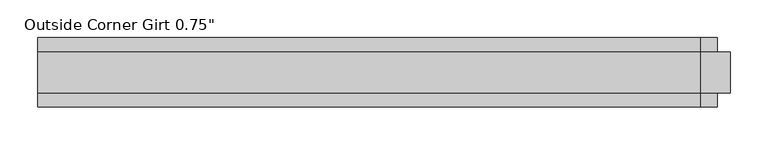
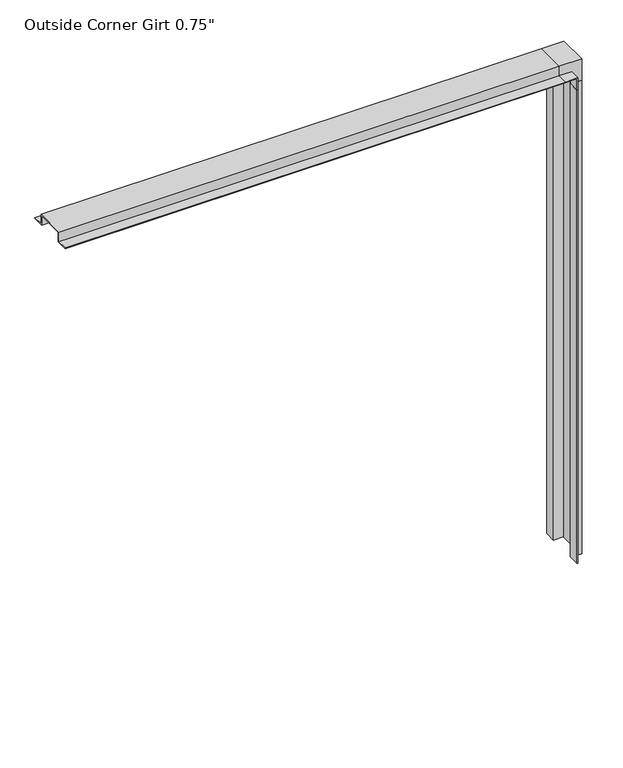
"""IFC4 building model written with IfcOpenShell, lengths in millimetres: proxy geometry."""

from ifc_helpers import new_model, si_unit, frame, origin, place, context, project, spatial, polyline, outline, extrude, faceted_brep, source, transform, mapped, element, save


def proxy_1c010547(model_context):
    return source(origin(), model_context, "Body", "SolidModel", [
        extrude(outline(polyline([(171.45, 46.0559645), (173.0633, 46.0559645), (173.0633, 27.0129), (190.5254, 27.0129), (190.5254, -27.0129), (173.0633, -27.0129), (173.0633, -46.0559645), (171.45, -46.0559645), (171.45, -25.4), (188.9125, -25.4), (188.9125, 25.4), (171.45, 25.4), (171.45, 46.0559645)])), frame((0.0, 0.0, -725.4875), z_axis=(0.0, 0.0, 1.0), x_axis=(1.0, 0.0, 0.0)), (0.0, 0.0, 1.0), 876.3),
        extrude(outline(polyline([(46.0559645, 171.45), (25.4, 171.45), (25.4, 188.9125), (-25.4, 188.9125), (-25.4, 171.45), (-46.0559645, 171.45), (-46.0559645, 173.0633), (-27.0129, 173.0633), (-27.0129, 190.5254), (27.0129, 190.5254), (27.0129, 173.0633), (46.0559645, 173.0633), (46.0559645, 171.45)])), frame((-725.4875, 0.0, 0.0), z_axis=(1.0, 0.0, 0.0), x_axis=(0.0, 1.0, 0.0)), (0.0, 0.0, 1.0), 876.3),
        extrude(outline(polyline([(173.0633, 150.8125), (171.45, 150.8125), (171.45, 171.45), (150.8125, 171.45), (150.8125, 173.0633), (173.0633, 173.0633), (173.0633, 150.8125)])), frame((0.0, -46.0559645, 0.0), z_axis=(0.0, 1.0, 0.0), x_axis=(0.0, 0.0, 1.0)), (0.0, 0.0, 1.0), 19.0430645),
        faceted_brep([(150.8125, 25.4, 171.45), (150.8125, 25.4, 188.9125), (150.8125, -25.4, 188.9125), (150.8125, -25.4, 171.45), (150.8125, -27.0129, 171.45), (150.8125, -27.0129, 190.5254), (150.8125, 27.0129, 190.5254), (150.8125, 27.0129, 173.0633), (150.8125, 46.0559645, 173.0633), (150.8125, 46.0559645, 171.45), (171.45, 46.0559645, 171.45), (171.45, 25.4, 171.45), (173.0633, 46.0559645, 173.0633), (173.0633, 46.0559645, 150.8125), (171.45, 46.0559645, 150.8125), (173.0633, 27.0129, 173.0633), (190.5254, 27.0129, 190.5254), (190.5254, 27.0129, 150.8125), (173.0633, 27.0129, 150.8125), (190.5254, -27.0129, 190.5254), (171.45, -27.0129, 171.45), (171.45, -27.0129, 150.8125), (190.5254, -27.0129, 150.8125), (171.45, -25.4, 171.45), (188.9125, -25.4, 188.9125), (188.9125, -25.4, 150.8125), (171.45, -25.4, 150.8125), (188.9125, 25.4, 188.9125), (171.45, 25.4, 150.8125), (188.9125, 25.4, 150.8125)], [[[0, 1, 2, 3, 4, 5, 6, 7, 8, 9]], [[0, 9, 10, 11]], [[9, 8, 12, 13, 14, 10]], [[8, 7, 15, 12]], [[7, 6, 16, 17, 18, 15]], [[6, 5, 19, 16]], [[5, 4, 20, 21, 22, 19]], [[4, 3, 23, 20]], [[3, 2, 24, 25, 26, 23]], [[2, 1, 27, 24]], [[1, 0, 11, 28, 29, 27]], [[28, 14, 13, 18, 17, 22, 21, 26, 25, 29]], [[11, 10, 14, 28]], [[12, 15, 18, 13]], [[16, 19, 22, 17]], [[20, 23, 26, 21]], [[24, 27, 29, 25]]]),
    ])


if __name__ == "__main__":
    model = new_model("IFC4")
    model_context = context("Model", 3, world=origin())
    ifc_project = project(units=[si_unit("LENGTHUNIT", "METRE", prefix="MILLI")], contexts=[model_context])
    site = spatial("IfcSite", under=ifc_project)
    building = spatial("IfcBuilding", under=site)
    placement = place(None, origin())
    proxy_shape = proxy_1c010547(model_context)
    element("IfcBuildingElementProxy", 1, Name="Outside Corner Girt 0.75\"", ObjectType="Outside Corner Girt 0.75\"", at=placement, inside=building, context=model_context, shape_type="MappedRepresentation", body=[
        mapped(proxy_shape, transform((0.0, 0.0, 0.0), x_axis=(1.0, 0.0, 0.0), y_axis=(0.0, 1.0, 0.0), z_axis=(0.0, 0.0, 1.0))),
    ])
    save(model, "model.ifc")
